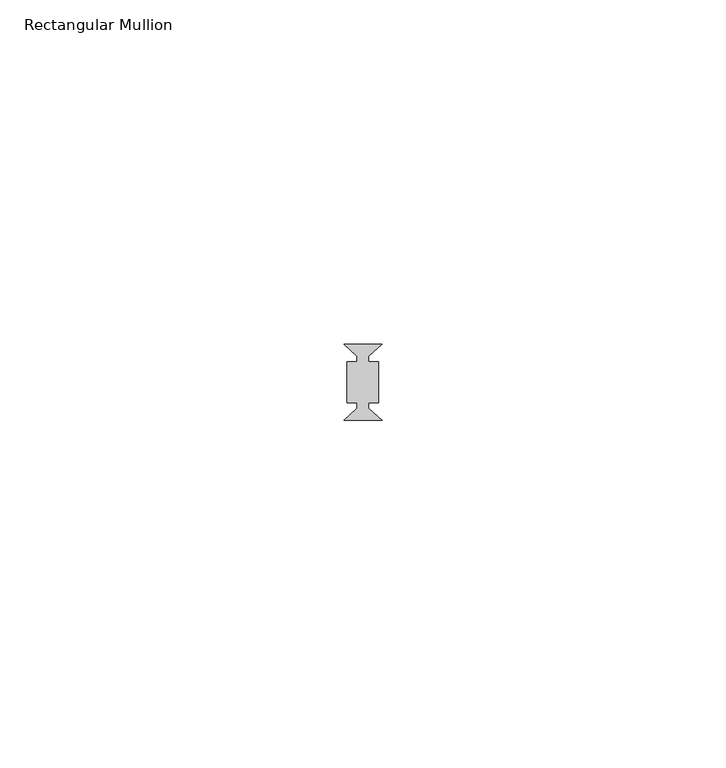
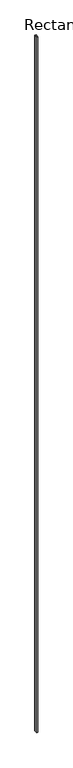
"""IFC4 building model written with IfcOpenShell, lengths in millimetres: member geometry, Rectangular Mullion."""

import ifcopenshell
import ifcopenshell.guid

model = None  # the IFC model being written
_history = None  # IfcOwnerHistory: only IFC2X3 demands one
_inside = {}  # id of a spatial element -> (the spatial element, [elements in it])
_under = {}  # id of a project, library or spatial element -> (it, [spatial elements below it])
_declared = {}  # id of a project -> (the project, [libraries it declares])
_typed = {}  # id of a type object -> (the type object, [elements of that type])
_made_of = {}  # id of a material, layer set ... -> (it, [elements and type objects made of it])


def new_model(schema):
    """Start an empty IFC model of exactly this schema.

    Asked for "IFC4X3", IfcOpenShell would pick the latest addendum, in which some entities
    have other attributes; the version numbers below select the first issue.
    IFC2X3 requires an IfcOwnerHistory on every rooted entity: one is made here for all.
    """
    global model, _history
    if schema == "IFC4X3":
        model = ifcopenshell.file(schema_version=(4, 3, 0, 0))
    else:
        model = ifcopenshell.file(schema=schema)
    _inside.clear()
    _under.clear()
    _declared.clear()
    _typed.clear()
    _made_of.clear()
    _history = None
    if model.schema == "IFC2X3":
        org = make("IfcOrganization", Name="unknown")
        user = make(
            "IfcPersonAndOrganization",
            ThePerson=make("IfcPerson", FamilyName="unknown"),
            TheOrganization=org,
        )
        app = make(
            "IfcApplication",
            ApplicationDeveloper=org,
            Version="unknown",
            ApplicationFullName="unknown",
            ApplicationIdentifier="unknown",
        )
        _history = make(
            "IfcOwnerHistory",
            OwningUser=user,
            OwningApplication=app,
            ChangeAction="ADDED",
            CreationDate=0,
        )
    return model


def make(cls, **values):
    """One entity of the class cls with the attributes given. An attribute that is None is left unset."""
    return model.create_entity(
        cls, **{name: value for name, value in values.items() if value is not None}
    )


def rooted(cls, **values):
    """An entity with a GlobalId (a new one), such as an element, a storey or a relation."""
    return make(cls, GlobalId=ifcopenshell.guid.new(), OwnerHistory=_history, **values)


def si_unit(unit_type, name, prefix=None):
    """IfcSIUnit, for example si_unit("LENGTHUNIT", "METRE", prefix="MILLI")."""
    return make("IfcSIUnit", UnitType=unit_type, Prefix=prefix, Name=name)


def assignment(units):
    """IfcUnitAssignment: the units of a project."""
    return None if units is None else make("IfcUnitAssignment", Units=units)


def point(xyz):
    """IfcCartesianPoint."""
    return None if xyz is None else make("IfcCartesianPoint", Coordinates=xyz)


def direction(xyz):
    """IfcDirection."""
    return None if xyz is None else make("IfcDirection", DirectionRatios=xyz)


def frame(location, z_axis=None, x_axis=None):
    """IfcAxis2Placement3D, a coordinate frame: its origin and axes. An axis left out is left unset."""
    return make(
        "IfcAxis2Placement3D",
        Location=point(location),
        Axis=direction(z_axis),
        RefDirection=direction(x_axis),
    )


def origin():
    """The frame at (0, 0, 0) with its axes left unset."""
    return frame((0.0, 0.0, 0.0))


def place(relative_to, where):
    """IfcLocalPlacement: puts the frame where relative to a parent placement (None: the world)."""
    return make(
        "IfcLocalPlacement", PlacementRelTo=relative_to, RelativePlacement=where
    )


def context(
    kind, dimensions, precision=None, world=None, true_north=None, identifier=None
):
    """IfcGeometricRepresentationContext, for example the 3D "Model" context."""
    return make(
        "IfcGeometricRepresentationContext",
        ContextIdentifier=identifier,
        ContextType=kind,
        CoordinateSpaceDimension=dimensions,
        Precision=precision,
        WorldCoordinateSystem=world,
        TrueNorth=true_north,
    )


def project(units=None, contexts=None):
    """IfcProject with its units and contexts."""
    return rooted(
        "IfcProject",
        Name="project",
        RepresentationContexts=contexts,
        UnitsInContext=assignment(units),
    )


def spatial(cls, under=None, at=None, **own):
    """A site, building, storey or space (cls), placed at a placement, below another one or the project."""
    s = rooted(cls, ObjectPlacement=at, **own)
    if under is not None:
        _under.setdefault(under.id(), (under, []))[1].append(s)
    return s


def polyline(points):
    """IfcPolyline through the points."""
    return make("IfcPolyline", Points=[point(p) for p in points])


def outline(outer, holes=None, kind="AREA"):
    """IfcArbitraryClosedProfileDef: a profile drawn as a closed curve; with holes, ...WithVoids."""
    if holes is None:
        return make("IfcArbitraryClosedProfileDef", ProfileType=kind, OuterCurve=outer)
    return make(
        "IfcArbitraryProfileDefWithVoids",
        ProfileType=kind,
        OuterCurve=outer,
        InnerCurves=holes,
    )


def extrude(swept, where, along, depth):
    """IfcExtrudedAreaSolid: the profile swept, set in the frame where, extruded along a direction by depth."""
    return make(
        "IfcExtrudedAreaSolid",
        SweptArea=swept,
        Position=where,
        ExtrudedDirection=direction(along),
        Depth=depth,
    )


def shape(context_of_items, identifier, shape_type, items):
    """IfcShapeRepresentation: the items that make up one representation, for example the "Body"."""
    return make(
        "IfcShapeRepresentation",
        ContextOfItems=context_of_items,
        RepresentationIdentifier=identifier,
        RepresentationType=shape_type,
        Items=items,
    )


def source(mapping_origin, context_of_items, identifier, shape_type, items):
    """IfcRepresentationMap: a shape defined once, which mapped items show again and again."""
    return make(
        "IfcRepresentationMap",
        MappingOrigin=mapping_origin,
        MappedRepresentation=shape(context_of_items, identifier, shape_type, items),
    )


def transform(
    local_origin,
    x_axis=None,
    y_axis=None,
    z_axis=None,
    scale=None,
    scale2=None,
    scale3=None,
    uniform=True,
):
    """IfcCartesianTransformationOperator3D, or its non-uniform kind. x_axis, y_axis, z_axis: its Axis1, 2, 3."""
    if uniform:
        return make(
            "IfcCartesianTransformationOperator3D",
            Axis1=direction(x_axis),
            Axis2=direction(y_axis),
            LocalOrigin=point(local_origin),
            Scale=scale,
            Axis3=direction(z_axis),
        )
    return make(
        "IfcCartesianTransformationOperator3DnonUniform",
        Axis1=direction(x_axis),
        Axis2=direction(y_axis),
        LocalOrigin=point(local_origin),
        Scale=scale,
        Axis3=direction(z_axis),
        Scale2=scale2,
        Scale3=scale3,
    )


def mapped(mapping_source, mapping_target):
    """IfcMappedItem: shows the shape of a source again, moved by a transform."""
    return make(
        "IfcMappedItem", MappingSource=mapping_source, MappingTarget=mapping_target
    )


def made_of(thing, what):
    """Note that an element or type object is made of a material, layer set ...; save() writes the relation."""
    if what is not None:
        _made_of.setdefault(what.id(), (what, []))[1].append(thing)
    return thing


def element(
    cls,
    number,
    at=None,
    inside=None,
    cuts=None,
    type_object=None,
    material=None,
    context=None,
    identifier="Body",
    shape_type=None,
    held_by="IfcProductDefinitionShape",
    body=None,
    shapes=None,
    **own,
):
    """One element of the class cls, such as IfcWall. Its Tag is "e" and its number.

    at: its placement. inside: the storey or other place that contains it. cuts: it is an
    opening in that element (IfcRelVoidsElement). A single representation is given by context,
    identifier, shape_type and body (its items); several are given by shapes. held_by: the class
    of the entity that holds the representations. save() writes the other relations.
    """
    e = rooted(cls, Tag="e%d" % number, ObjectPlacement=at, **own)
    if body is not None:
        shapes = [shape(context, identifier, shape_type, body)]
    if shapes is not None:
        e.Representation = make(held_by, Representations=shapes)
    if inside is not None:
        _inside.setdefault(inside.id(), (inside, []))[1].append(e)
    if cuts is not None:
        rooted(
            "IfcRelVoidsElement", RelatingBuildingElement=cuts, RelatedOpeningElement=e
        )
    if type_object is not None:
        _typed.setdefault(type_object.id(), (type_object, []))[1].append(e)
    return made_of(e, material)


def aggregate(whole, parts):
    """IfcRelAggregates: a whole, such as a stair, and the parts it consists of."""
    return rooted("IfcRelAggregates", RelatingObject=whole, RelatedObjects=parts)


def save(model, path):
    """Write the relations noted so far, then the file.

    IfcRelAggregates (storeys below a building ...), IfcRelContainedInSpatialStructure (elements
    in a storey), IfcRelDefinesByType, IfcRelAssociatesMaterial and IfcRelDeclares: one each for
    every whole, place, type object, material and project.
    """
    for whole, parts in _under.values():
        aggregate(whole, parts)
    for where, things in _inside.values():
        rooted(
            "IfcRelContainedInSpatialStructure",
            RelatedElements=things,
            RelatingStructure=where,
        )
    for kind, things in _typed.values():
        rooted("IfcRelDefinesByType", RelatedObjects=things, RelatingType=kind)
    for what, things in _made_of.values():
        rooted("IfcRelAssociatesMaterial", RelatedObjects=things, RelatingMaterial=what)
    for by, libraries in _declared.values():
        rooted("IfcRelDeclares", RelatingContext=by, RelatedDefinitions=libraries)
    model.write(path)


def rectangular_mullion_c86753d3(model_context):
    return source(origin(), model_context, "Body", "SweptSolid", [
        extrude(outline(polyline([(2.7612767, 5.55), (0.81, 3.8), (0.81, 3.0), (2.31, 3.0), (2.31, -3.0), (0.81, -3.0), (0.81, -3.8), (2.7612767, -5.55), (-2.7612767, -5.55), (-0.81, -3.8), (-0.81, -3.0), (-2.31, -3.0), (-2.31, 3.0), (-0.81, 3.0), (-0.81, 3.8), (-2.7612767, 5.55), (2.7612767, 5.55)])), frame((0.0, 0.0, -2923.8690924), z_axis=(0.0, 0.0, 1.0), x_axis=(1.0, 0.0, 0.0)), (0.0, 0.0, 1.0), 2923.8690924),
    ])


if __name__ == "__main__":
    model = new_model("IFC4")
    model_context = context("Model", 3, world=origin())
    ifc_project = project(units=[si_unit("LENGTHUNIT", "METRE", prefix="MILLI")], contexts=[model_context])
    site = spatial("IfcSite", under=ifc_project)
    building = spatial("IfcBuilding", under=site)
    placement = place(None, origin())
    rectangular_mullion_shape = rectangular_mullion_c86753d3(model_context)
    element("IfcMember", 1, ObjectType="Rectangular Mullion", at=placement, inside=building, context=model_context, shape_type="MappedRepresentation", body=[
        mapped(rectangular_mullion_shape, transform((0.0, 0.0, 0.0), x_axis=(1.0, 0.0, 0.0), y_axis=(0.0, 1.0, 0.0), z_axis=(0.0, 0.0, 1.0))),
    ])
    save(model, "model.ifc")
